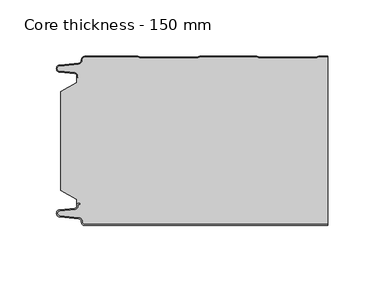
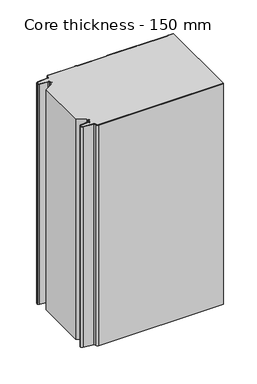
"""IFC4 building model written with IfcOpenShell, lengths in millimetres: plate geometry, Core thickness - 150 mm."""

from ifc_helpers import new_model, si_unit, frame, origin, place, context, project, spatial, polyline, circle_curve, source, transform, mapped, element, save
from ifc_brep_helpers import plane_surface, cylinder_surface, revolved_surface, advanced_brep


def core_thickness_150_mm_1be155f3(model_context):
    return source(origin(), model_context, "Body", "AdvancedBrep", [
        advanced_brep(
        [(-94.8000003, -149.9996949, 0.0), (-97.9923632, -146.5787437, 0.0), (-100.2560431, -143.9171154, 0.0), (-117.2115315, -142.2546153, 0.0), (-119.9999998, -139.1776715, 0.0), (-117.2115315, -136.1007278, 0.0), (-103.6195785, -134.7680252, 0.0), (-101.9952277, -132.9766159, 0.0), (-101.9952277, -131.8996949, 0.0), (-100.5952277, -130.4996949, 0.0), (-99.4952277, -130.4996949, 0.0), (-99.4952277, -131.2996949, 0.0), (-100.5952277, -131.2996949, 0.0), (-101.1952277, -131.8996949, 0.0), (-101.1952277, -132.9766159, 0.0), (-103.5415122, -135.5642071, 0.0), (-117.1334652, -136.8969097, 0.0), (-119.1999997, -139.1776715, 0.0), (-117.1334652, -141.4584333, 0.0), (-100.1779767, -143.1209335, 0.0), (-97.2078761, -146.6330399, 0.0), (-94.8000003, -149.1996949, 0.0), (119.9999998, -149.2, 0.0), (119.9999998, -149.9996949, 0.0), (-94.8000003, -149.1996949, 400.0), (-97.1942724, -146.6339815, 400.0), (-100.1779767, -143.1209335, 400.0), (-117.1334652, -141.4584333, 400.0), (-119.1999997, -139.1776715, 400.0), (-117.1334652, -136.8969097, 400.0), (-103.5415122, -135.5642071, 400.0), (-101.1952277, -132.9766159, 400.0), (-101.1952277, -131.8996949, 400.0), (-100.5952277, -131.2996949, 400.0), (-99.4952277, -131.2996949, 400.0), (-99.4952277, -130.4996949, 400.0), (-100.5952277, -130.4996949, 400.0), (-101.9952277, -131.8996949, 400.0), (-101.9952277, -132.9766159, 400.0), (-103.6195785, -134.7680252, 400.0), (-117.2115315, -136.1007278, 400.0), (-119.9999998, -139.1776715, 400.0), (-117.2115315, -142.2546153, 400.0), (-100.2560431, -143.9171154, 400.0), (-98.0059668, -146.5778021, 400.0), (-94.8000003, -149.9996949, 400.0), (119.9999998, -149.9996949, 400.0), (119.9999998, -149.2, 400.0)],
        [
            (0, 1, circle_curve(frame((-94.8000003, -146.7996949, 0.0), z_axis=(0.0, 0.0, -1.0), x_axis=(1.0, 0.0, 0.0)), 3.2)),
            (1, 2, circle_curve(frame((-100.5000003, -146.4051839, 0.0), z_axis=(0.0, 0.0, 1.0), x_axis=(1.0, 0.0, 0.0)), 2.5)),
            (2, 3),
            (3, 4, circle_curve(frame((-116.9100003, -139.1793626, 0.0), z_axis=(0.0, 0.0, -1.0), x_axis=(1.0, 0.0, 0.0)), 3.09)),
            (4, 5, circle_curve(frame((-116.9100003, -139.1759805, 0.0), z_axis=(0.0, 0.0, -1.0), x_axis=(1.0, 0.0, 0.0)), 3.09)),
            (5, 6),
            (6, 7, circle_curve(frame((-103.7952277, -132.9766159, 0.0), z_axis=(0.0, 0.0, 1.0), x_axis=(1.0, 0.0, 0.0)), 1.8)),
            (7, 8),
            (8, 9, circle_curve(frame((-100.5952277, -131.8996949, 0.0), z_axis=(0.0, 0.0, -1.0), x_axis=(1.0, 0.0, 0.0)), 1.4)),
            (9, 10),
            (10, 11),
            (11, 12),
            (12, 13, circle_curve(frame((-100.5952277, -131.8996949, 0.0), z_axis=(0.0, 0.0, 1.0), x_axis=(1.0, 0.0, 0.0)), 0.6)),
            (13, 14),
            (14, 15, circle_curve(frame((-103.7952277, -132.9766159, 0.0), z_axis=(0.0, 0.0, -1.0), x_axis=(1.0, 0.0, 0.0)), 2.6)),
            (15, 16),
            (16, 17, circle_curve(frame((-116.9100003, -139.1759805, 0.0), z_axis=(0.0, 0.0, 1.0), x_axis=(1.0, 0.0, 0.0)), 2.29)),
            (17, 18, circle_curve(frame((-116.9100003, -139.1793626, 0.0), z_axis=(0.0, 0.0, 1.0), x_axis=(1.0, 0.0, 0.0)), 2.29)),
            (18, 19),
            (19, 20, circle_curve(frame((-100.5000003, -146.4051839, 0.0), z_axis=(0.0, 0.0, -1.0), x_axis=(1.0, 0.0, 0.0)), 3.3)),
            (20, 21, circle_curve(frame((-94.8000003, -146.7996949, 0.0), z_axis=(0.0, 0.0, 1.0), x_axis=(1.0, 0.0, 0.0)), 2.4)),
            (21, 22),
            (22, 23),
            (23, 0),
            (24, 25, circle_curve(frame((-94.8000003, -146.7996949, 400.0), z_axis=(0.0, 0.0, -1.0), x_axis=(1.0, 0.0, 0.0)), 2.4)),
            (25, 26, circle_curve(frame((-100.5000003, -146.4051839, 400.0), z_axis=(0.0, 0.0, 1.0), x_axis=(1.0, 0.0, 0.0)), 3.3)),
            (26, 27),
            (27, 28, circle_curve(frame((-116.9100003, -139.1793626, 400.0), z_axis=(0.0, 0.0, -1.0), x_axis=(1.0, 0.0, 0.0)), 2.29)),
            (28, 29, circle_curve(frame((-116.9100003, -139.1759805, 400.0), z_axis=(0.0, 0.0, -1.0), x_axis=(1.0, 0.0, 0.0)), 2.29)),
            (29, 30),
            (30, 31, circle_curve(frame((-103.7952277, -132.9766159, 400.0), z_axis=(0.0, 0.0, 1.0), x_axis=(1.0, 0.0, 0.0)), 2.6)),
            (31, 32),
            (32, 33, circle_curve(frame((-100.5952277, -131.8996949, 400.0), z_axis=(0.0, 0.0, -1.0), x_axis=(1.0, 0.0, 0.0)), 0.6)),
            (33, 34),
            (34, 35),
            (35, 36),
            (36, 37, circle_curve(frame((-100.5952277, -131.8996949, 400.0), z_axis=(0.0, 0.0, 1.0), x_axis=(1.0, 0.0, 0.0)), 1.4)),
            (37, 38),
            (38, 39, circle_curve(frame((-103.7952277, -132.9766159, 400.0), z_axis=(0.0, 0.0, -1.0), x_axis=(1.0, 0.0, 0.0)), 1.8)),
            (39, 40),
            (40, 41, circle_curve(frame((-116.9100003, -139.1759805, 400.0), z_axis=(0.0, 0.0, 1.0), x_axis=(1.0, 0.0, 0.0)), 3.09)),
            (41, 42, circle_curve(frame((-116.9100003, -139.1793626, 400.0), z_axis=(0.0, 0.0, 1.0), x_axis=(1.0, 0.0, 0.0)), 3.09)),
            (42, 43),
            (43, 44, circle_curve(frame((-100.5000003, -146.4051839, 400.0), z_axis=(0.0, 0.0, -1.0), x_axis=(1.0, 0.0, 0.0)), 2.5)),
            (44, 45, circle_curve(frame((-94.8000003, -146.7996949, 400.0), z_axis=(0.0, 0.0, 1.0), x_axis=(1.0, 0.0, 0.0)), 3.2)),
            (45, 46),
            (46, 47),
            (47, 24),
            (21, 24),
            (47, 22),
            (20, 25),
            (19, 26),
            (18, 27),
            (17, 28),
            (16, 29),
            (15, 30),
            (14, 31),
            (13, 32),
            (12, 33),
            (11, 34),
            (10, 35),
            (9, 36),
            (8, 37),
            (7, 38),
            (6, 39),
            (5, 40),
            (4, 41),
            (3, 42),
            (2, 43),
            (1, 44),
            (0, 45),
            (23, 46),
        ],
        [
            plane_surface(frame((-119.9999998, -150.0, 0.0), z_axis=(0.0, 0.0, -1.0), x_axis=(0.0, 1.0, 0.0))),
            plane_surface(frame((-119.9999998, -150.0, 400.0), z_axis=(0.0, 0.0, 1.0), x_axis=(0.0, 1.0, 0.0))),
            plane_surface(frame((-94.8000003, -149.2, 0.0), z_axis=(0.0, 1.0, 0.0), x_axis=(0.0, 0.0, 1.0))),
            revolved_surface(polyline([(-92.40000029999999, -146.7996949, 400.0), (-92.40000029999999, -146.7996949, 0.0)]), (-94.8000003, -146.7996949, 0.0), (0.0, 0.0, 1.0)),
            cylinder_surface(frame((-100.5000003, -146.4051839, 0.0), z_axis=(0.0, 0.0, -1.0), x_axis=(1.0, 0.0, 0.0)), 3.3),
            plane_surface(frame((-117.1334652, -141.4584333, 0.0), z_axis=(0.09758289975914758, 0.9952273999818314, 0.0), x_axis=(0.0, 0.0, 1.0))),
            revolved_surface(polyline([(-114.62000029999999, -139.1793626, 400.0), (-114.62000029999999, -139.1793626, 0.0)]), (-116.9100003, -139.1793626, 0.0), (0.0, 0.0, 1.0)),
            revolved_surface(polyline([(-114.62000029999999, -139.1759805, 400.0), (-114.62000029999999, -139.1759805, 0.0)]), (-116.9100003, -139.1759805, 0.0), (0.0, 0.0, 1.0)),
            plane_surface(frame((-103.5415122, -135.5642071, 0.0), z_axis=(0.09758289975914383, -0.9952273999818317, 0.0), x_axis=(0.0, 0.0, 1.0))),
            cylinder_surface(frame((-103.7952277, -132.9766159, 0.0), z_axis=(0.0, 0.0, -1.0), x_axis=(1.0, 0.0, 0.0)), 2.6),
            plane_surface(frame((-101.1952277, -131.8996949, 0.0), z_axis=(1.0, 0.0, 0.0), x_axis=(0.0, 0.0, 1.0))),
            revolved_surface(polyline([(-99.9952277, -131.8996949, 400.0), (-99.9952277, -131.8996949, 0.0)]), (-100.5952277, -131.8996949, 0.0), (0.0, 0.0, 1.0)),
            plane_surface(frame((-99.4952277, -131.2996949, 0.0), z_axis=(0.0, -1.0, 0.0), x_axis=(0.0, 0.0, 1.0))),
            plane_surface(frame((-99.4952277, -130.4996949, 0.0), z_axis=(1.0, 0.0, 0.0), x_axis=(0.0, 0.0, 1.0))),
            plane_surface(frame((-100.5952277, -130.4996949, 0.0), z_axis=(0.0, 1.0, 0.0), x_axis=(0.0, 0.0, 1.0))),
            cylinder_surface(frame((-100.5952277, -131.8996949, 0.0), z_axis=(0.0, 0.0, -1.0), x_axis=(1.0, 0.0, 0.0)), 1.4),
            plane_surface(frame((-101.9952277, -132.9766159, 0.0), z_axis=(-1.0, 0.0, 0.0), x_axis=(0.0, 0.0, 1.0))),
            revolved_surface(polyline([(-101.9952277, -132.9766159, 400.0), (-101.9952277, -132.9766159, 0.0)]), (-103.7952277, -132.9766159, 0.0), (0.0, 0.0, 1.0)),
            plane_surface(frame((-117.2115315, -136.1007278, 0.0), z_axis=(-0.09758289975914387, 0.9952273999818317, 0.0), x_axis=(0.0, 0.0, 1.0))),
            cylinder_surface(frame((-116.9100003, -139.1759805, 0.0), z_axis=(0.0, 0.0, -1.0), x_axis=(1.0, 0.0, 0.0)), 3.09),
            cylinder_surface(frame((-116.9100003, -139.1793626, 0.0), z_axis=(0.0, 0.0, -1.0), x_axis=(1.0, 0.0, 0.0)), 3.09),
            plane_surface(frame((-100.2560431, -143.9171154, 0.0), z_axis=(-0.09758289975914762, -0.9952273999818314, 0.0), x_axis=(0.0, 0.0, 1.0))),
            revolved_surface(polyline([(-98.0000003, -146.4051839, 400.0), (-98.0000003, -146.4051839, 0.0)]), (-100.5000003, -146.4051839, 0.0), (0.0, 0.0, 1.0)),
            cylinder_surface(frame((-94.8000003, -146.7996949, 0.0), z_axis=(0.0, 0.0, -1.0), x_axis=(1.0, 0.0, 0.0)), 3.2),
            plane_surface(frame((896.009932, -149.9996949, 0.0), z_axis=(0.0, -1.0, 0.0), x_axis=(0.0, 0.0, 1.0))),
            plane_surface(frame((119.9999998, 180.0, 400.0), z_axis=(1.0, 0.0, 0.0), x_axis=(0.0, 0.0, -1.0))),
        ],
        [
            (0, [[1, 2, 3, 4, 5, 6, 7, 8, 9, 10, 11, 12, 13, 14, 15, 16, 17, 18, 19, 20, 21, 22, 23, 24]]),
            (1, [[25, 26, 27, 28, 29, 30, 31, 32, 33, 34, 35, 36, 37, 38, 39, 40, 41, 42, 43, 44, 45, 46, 47, 48]]),
            (2, [[49, -48, 50, -22]]),
            (3, [[-21, 51, -25, -49]]),
            (4, [[-20, 52, -26, -51]]),
            (5, [[-19, 53, -27, -52]]),
            (6, [[-18, 54, -28, -53]]),
            (7, [[-17, 55, -29, -54]]),
            (8, [[-16, 56, -30, -55]]),
            (9, [[-15, 57, -31, -56]]),
            (10, [[-14, 58, -32, -57]]),
            (11, [[-13, 59, -33, -58]]),
            (12, [[-12, 60, -34, -59]]),
            (13, [[-11, 61, -35, -60]]),
            (14, [[-10, 62, -36, -61]]),
            (15, [[-9, 63, -37, -62]]),
            (16, [[-8, 64, -38, -63]]),
            (17, [[-7, 65, -39, -64]]),
            (18, [[-6, 66, -40, -65]]),
            (19, [[-5, 67, -41, -66]]),
            (20, [[-4, 68, -42, -67]]),
            (21, [[-3, 69, -43, -68]]),
            (22, [[-2, 70, -44, -69]]),
            (23, [[-1, 71, -45, -70]]),
            (24, [[-71, -24, 72, -46]]),
            (25, [[-23, -50, -47, -72]]),
        ],
    ),
        advanced_brep(
        [(-101.9952277, -23.1062917, 400.0), (-116.0446509, -31.1628062, 400.0), (-116.0446509, -118.7531937, 400.0), (-101.9952277, -126.8937083, 400.0), (-101.9952277, -130.4996949, 400.0), (-101.9952277, -131.8996949, 400.0), (-100.5952277, -130.4996949, 400.0), (-99.4952277, -130.4996949, 400.0), (-99.4952277, -131.2996949, 400.0), (-100.5952277, -131.2996949, 400.0), (-101.1952277, -131.8996949, 400.0), (-101.1952277, -132.9766159, 400.0), (-103.5415122, -135.5642071, 400.0), (-117.1334652, -136.8969097, 400.0), (-119.1999997, -139.1776715, 400.0), (-117.1334652, -141.4584333, 400.0), (-100.1779767, -143.1209335, 400.0), (-97.2078761, -146.6330399, 400.0), (-94.8000003, -149.1996949, 400.0), (119.9999998, -149.2, 400.0), (119.9999998, -0.8, 400.0), (112.3119565, -0.8, 400.0), (111.2605406, -1.0986697, 400.0), (109.8401597, -1.5003051, 400.0), (59.6803765, -1.5003051, 400.0), (58.2609651, -1.0971009, 400.0), (57.2085797, -0.8, 400.0), (7.0487965, -0.8, 400.0), (5.9973806, -1.0986697, 400.0), (4.5769997, -1.5003051, 400.0), (-45.5827835, -1.5003051, 400.0), (-47.0021949, -1.0971009, 400.0), (-48.0545803, -0.8, 400.0), (-94.8000003, -0.8, 400.0), (-97.1942724, -3.3660185, 400.0), (-100.1779767, -6.8790665, 400.0), (-117.1334652, -8.5415667, 400.0), (-119.1999997, -10.8223285, 400.0), (-117.1334652, -13.1030903, 400.0), (-103.5415122, -14.4357929, 400.0), (-101.1952277, -17.0233841, 400.0), (-101.1952277, -18.1003051, 400.0), (-100.5952277, -18.7003051, 400.0), (-99.4952277, -18.7003051, 400.0), (-99.4952277, -19.5003051, 400.0), (-100.5952277, -19.5003051, 400.0), (-101.9952277, -18.1003051, 400.0), (-101.9952277, -19.5003051, 400.0), (-101.9952277, -126.8937083, 0.0), (-116.0446509, -118.7531937, 0.0), (-116.0446509, -31.1628062, 0.0), (-101.9952277, -23.1062917, 0.0), (-101.9952277, -19.5003051, 0.0), (-101.9952277, -18.1003051, 0.0), (-100.5952277, -19.5003051, 0.0), (-99.4952277, -19.5003051, 0.0), (-99.4952277, -18.7003051, 0.0), (-100.5952277, -18.7003051, 0.0), (-101.1952277, -18.1003051, 0.0), (-101.1952277, -17.0233841, 0.0), (-103.5415122, -14.4357929, 0.0), (-117.1334652, -13.1030903, 0.0), (-119.1999997, -10.8223285, 0.0), (-117.1334652, -8.5415667, 0.0), (-100.1779767, -6.8790665, 0.0), (-97.2078761, -3.3669601, 0.0), (-94.8000003, -0.8003051, 0.0), (-48.0545803, -0.8, 0.0), (-47.0031645, -1.0986697, 0.0), (-45.5827835, -1.5003051, 0.0), (4.5769997, -1.5003051, 0.0), (5.9964111, -1.0971009, 0.0), (7.0487965, -0.8, 0.0), (57.2085797, -0.8, 0.0), (58.2599955, -1.0986697, 0.0), (59.6803765, -1.5003051, 0.0), (109.8401597, -1.5003051, 0.0), (111.2595711, -1.0971009, 0.0), (112.3119565, -0.8, 0.0), (119.9999998, -0.8, 0.0), (119.9999998, -149.2, 0.0), (-94.8000003, -149.2, 0.0), (-97.1942724, -146.6339815, 0.0), (-100.1779767, -143.1209335, 0.0), (-117.1334652, -141.4584333, 0.0), (-119.1999997, -139.1776715, 0.0), (-117.1334652, -136.8969097, 0.0), (-103.5415122, -135.5642071, 0.0), (-101.1952277, -132.9766159, 0.0), (-101.1952277, -131.8996949, 0.0), (-100.5952277, -131.2996949, 0.0), (-99.4952277, -131.2996949, 0.0), (-99.4952277, -130.4996949, 0.0), (-100.5952277, -130.4996949, 0.0), (-101.9952277, -131.8996949, 0.0), (-101.9952277, -130.4996949, 0.0)],
        [
            (0, 1),
            (1, 2),
            (2, 3),
            (3, 4),
            (4, 5),
            (5, 6, circle_curve(frame((-100.5952277, -131.8996949, 400.0), z_axis=(0.0, 0.0, -1.0), x_axis=(1.0, 0.0, 0.0)), 1.4)),
            (6, 7),
            (7, 8),
            (8, 9),
            (9, 10, circle_curve(frame((-100.5952277, -131.8996949, 400.0), z_axis=(0.0, 0.0, 1.0), x_axis=(1.0, 0.0, 0.0)), 0.6)),
            (10, 11),
            (11, 12, circle_curve(frame((-103.7952277, -132.9766159, 400.0), z_axis=(0.0, 0.0, -1.0), x_axis=(1.0, 0.0, 0.0)), 2.6)),
            (12, 13),
            (13, 14, circle_curve(frame((-116.9100003, -139.1759805, 400.0), z_axis=(0.0, 0.0, 1.0), x_axis=(1.0, 0.0, 0.0)), 2.29)),
            (14, 15, circle_curve(frame((-116.9100003, -139.1793626, 400.0), z_axis=(0.0, 0.0, 1.0), x_axis=(1.0, 0.0, 0.0)), 2.29)),
            (15, 16),
            (16, 17, circle_curve(frame((-100.5000003, -146.4051839, 400.0), z_axis=(0.0, 0.0, -1.0), x_axis=(1.0, 0.0, 0.0)), 3.3)),
            (17, 18, circle_curve(frame((-94.8000003, -146.7996949, 400.0), z_axis=(0.0, 0.0, 1.0), x_axis=(1.0, 0.0, 0.0)), 2.4)),
            (18, 19),
            (19, 20),
            (20, 21),
            (21, 22, circle_curve(frame((112.3119565, -2.8, 400.0), z_axis=(0.0, 0.0, 1.0), x_axis=(1.0, 0.0, 0.0)), 2.0)),
            (22, 23, circle_curve(frame((109.8401597, 1.1996949, 400.0), z_axis=(0.0, 0.0, -1.0), x_axis=(1.0, 0.0, 0.0)), 2.7)),
            (23, 24),
            (24, 25, circle_curve(frame((59.6803765, 1.1996949, 400.0), z_axis=(0.0, 0.0, -1.0), x_axis=(1.0, 0.0, 0.0)), 2.7)),
            (25, 26, circle_curve(frame((57.2085797, -2.8, 400.0), z_axis=(0.0, 0.0, 1.0), x_axis=(1.0, 0.0, 0.0)), 2.0)),
            (26, 27),
            (27, 28, circle_curve(frame((7.0487965, -2.8, 400.0), z_axis=(0.0, 0.0, 1.0), x_axis=(1.0, 0.0, 0.0)), 2.0)),
            (28, 29, circle_curve(frame((4.5769997, 1.1996949, 400.0), z_axis=(0.0, 0.0, -1.0), x_axis=(1.0, 0.0, 0.0)), 2.7)),
            (29, 30),
            (30, 31, circle_curve(frame((-45.5827835, 1.1996949, 400.0), z_axis=(0.0, 0.0, -1.0), x_axis=(1.0, 0.0, 0.0)), 2.7)),
            (31, 32, circle_curve(frame((-48.0545803, -2.8, 400.0), z_axis=(0.0, 0.0, 1.0), x_axis=(1.0, 0.0, 0.0)), 2.0)),
            (32, 33),
            (33, 34, circle_curve(frame((-94.8000003, -3.2003051, 400.0), z_axis=(0.0, 0.0, 1.0), x_axis=(1.0, 0.0, 0.0)), 2.4)),
            (34, 35, circle_curve(frame((-100.5000003, -3.5948161, 400.0), z_axis=(0.0, 0.0, -1.0), x_axis=(1.0, 0.0, 0.0)), 3.3)),
            (35, 36),
            (36, 37, circle_curve(frame((-116.9100003, -10.8206374, 400.0), z_axis=(0.0, 0.0, 1.0), x_axis=(1.0, 0.0, 0.0)), 2.29)),
            (37, 38, circle_curve(frame((-116.9100003, -10.8240195, 400.0), z_axis=(0.0, 0.0, 1.0), x_axis=(1.0, 0.0, 0.0)), 2.29)),
            (38, 39),
            (39, 40, circle_curve(frame((-103.7952277, -17.0233841, 400.0), z_axis=(0.0, 0.0, -1.0), x_axis=(1.0, 0.0, 0.0)), 2.6)),
            (40, 41),
            (41, 42, circle_curve(frame((-100.5952277, -18.1003051, 400.0), z_axis=(0.0, 0.0, 1.0), x_axis=(1.0, 0.0, 0.0)), 0.6)),
            (42, 43),
            (43, 44),
            (44, 45),
            (45, 46, circle_curve(frame((-100.5952277, -18.1003051, 400.0), z_axis=(0.0, 0.0, -1.0), x_axis=(1.0, 0.0, 0.0)), 1.4)),
            (46, 47),
            (47, 0),
            (48, 49),
            (49, 50),
            (50, 51),
            (51, 52),
            (52, 53),
            (53, 54, circle_curve(frame((-100.5952277, -18.1003051, 0.0), z_axis=(0.0, 0.0, 1.0), x_axis=(1.0, 0.0, 0.0)), 1.4)),
            (54, 55),
            (55, 56),
            (56, 57),
            (57, 58, circle_curve(frame((-100.5952277, -18.1003051, 0.0), z_axis=(0.0, 0.0, -1.0), x_axis=(1.0, 0.0, 0.0)), 0.6)),
            (58, 59),
            (59, 60, circle_curve(frame((-103.7952277, -17.0233841, 0.0), z_axis=(0.0, 0.0, 1.0), x_axis=(1.0, 0.0, 0.0)), 2.6)),
            (60, 61),
            (61, 62, circle_curve(frame((-116.9100003, -10.8240195, 0.0), z_axis=(0.0, 0.0, -1.0), x_axis=(1.0, 0.0, 0.0)), 2.29)),
            (62, 63, circle_curve(frame((-116.9100003, -10.8206374, 0.0), z_axis=(0.0, 0.0, -1.0), x_axis=(1.0, 0.0, 0.0)), 2.29)),
            (63, 64),
            (64, 65, circle_curve(frame((-100.5000003, -3.5948161, 0.0), z_axis=(0.0, 0.0, 1.0), x_axis=(1.0, 0.0, 0.0)), 3.3)),
            (65, 66, circle_curve(frame((-94.8000003, -3.2003051, 0.0), z_axis=(0.0, 0.0, -1.0), x_axis=(1.0, 0.0, 0.0)), 2.4)),
            (66, 67),
            (67, 68, circle_curve(frame((-48.0545803, -2.8, 0.0), z_axis=(0.0, 0.0, -1.0), x_axis=(1.0, 0.0, 0.0)), 2.0)),
            (68, 69, circle_curve(frame((-45.5827835, 1.1996949, 0.0), z_axis=(0.0, 0.0, 1.0), x_axis=(1.0, 0.0, 0.0)), 2.7)),
            (69, 70),
            (70, 71, circle_curve(frame((4.5769997, 1.1996949, 0.0), z_axis=(0.0, 0.0, 1.0), x_axis=(1.0, 0.0, 0.0)), 2.7)),
            (71, 72, circle_curve(frame((7.0487965, -2.8, 0.0), z_axis=(0.0, 0.0, -1.0), x_axis=(1.0, 0.0, 0.0)), 2.0)),
            (72, 73),
            (73, 74, circle_curve(frame((57.2085797, -2.8, 0.0), z_axis=(0.0, 0.0, -1.0), x_axis=(1.0, 0.0, 0.0)), 2.0)),
            (74, 75, circle_curve(frame((59.6803765, 1.1996949, 0.0), z_axis=(0.0, 0.0, 1.0), x_axis=(1.0, 0.0, 0.0)), 2.7)),
            (75, 76),
            (76, 77, circle_curve(frame((109.8401597, 1.1996949, 0.0), z_axis=(0.0, 0.0, 1.0), x_axis=(1.0, 0.0, 0.0)), 2.7)),
            (77, 78, circle_curve(frame((112.3119565, -2.8, 0.0), z_axis=(0.0, 0.0, -1.0), x_axis=(1.0, 0.0, 0.0)), 2.0)),
            (78, 79),
            (79, 80),
            (80, 81),
            (81, 82, circle_curve(frame((-94.8000003, -146.7996949, 0.0), z_axis=(0.0, 0.0, -1.0), x_axis=(1.0, 0.0, 0.0)), 2.4)),
            (82, 83, circle_curve(frame((-100.5000003, -146.4051839, 0.0), z_axis=(0.0, 0.0, 1.0), x_axis=(1.0, 0.0, 0.0)), 3.3)),
            (83, 84),
            (84, 85, circle_curve(frame((-116.9100003, -139.1793626, 0.0), z_axis=(0.0, 0.0, -1.0), x_axis=(1.0, 0.0, 0.0)), 2.29)),
            (85, 86, circle_curve(frame((-116.9100003, -139.1759805, 0.0), z_axis=(0.0, 0.0, -1.0), x_axis=(1.0, 0.0, 0.0)), 2.29)),
            (86, 87),
            (87, 88, circle_curve(frame((-103.7952277, -132.9766159, 0.0), z_axis=(0.0, 0.0, 1.0), x_axis=(1.0, 0.0, 0.0)), 2.6)),
            (88, 89),
            (89, 90, circle_curve(frame((-100.5952277, -131.8996949, 0.0), z_axis=(0.0, 0.0, -1.0), x_axis=(1.0, 0.0, 0.0)), 0.6)),
            (90, 91),
            (91, 92),
            (92, 93),
            (93, 94, circle_curve(frame((-100.5952277, -131.8996949, 0.0), z_axis=(0.0, 0.0, 1.0), x_axis=(1.0, 0.0, 0.0)), 1.4)),
            (94, 95),
            (95, 48),
            (51, 0),
            (46, 53),
            (1, 50),
            (49, 2),
            (48, 3),
            (94, 5),
            (18, 81),
            (80, 19),
            (17, 82),
            (16, 83),
            (15, 84),
            (14, 85),
            (13, 86),
            (12, 87),
            (11, 88),
            (10, 89),
            (9, 90),
            (8, 91),
            (7, 92),
            (6, 93),
            (66, 33),
            (32, 67),
            (31, 68),
            (30, 69),
            (29, 70),
            (28, 71),
            (27, 72),
            (26, 73),
            (25, 74),
            (24, 75),
            (23, 76),
            (22, 77),
            (21, 78),
            (20, 79),
            (45, 54),
            (44, 55),
            (43, 56),
            (42, 57),
            (41, 58),
            (40, 59),
            (39, 60),
            (38, 61),
            (37, 62),
            (36, 63),
            (35, 64),
            (34, 65),
        ],
        [
            plane_surface(frame((-119.9999998, 0.0, 400.0), z_axis=(0.0, 0.0, 1.0), x_axis=(0.0, -1.0, 0.0))),
            plane_surface(frame((-119.9999998, 0.0, 0.0), z_axis=(0.0, 0.0, -1.0), x_axis=(0.0, -1.0, 0.0))),
            plane_surface(frame((-101.9952277, -17.0229218, 400.0), z_axis=(-1.0, 0.0, 0.0), x_axis=(0.0, 0.0, -1.0))),
            plane_surface(frame((-116.0446509, -31.1628062, 400.0), z_axis=(-1.0, 0.0, 0.0), x_axis=(0.0, 0.0, -1.0))),
            plane_surface(frame((-101.9952277, -23.1062917, 400.0), z_axis=(-0.4974543664933155, 0.8674901459133322, 0.0), x_axis=(0.0, 0.0, -1.0))),
            plane_surface(frame((-116.0446509, -118.7531937, 400.0), z_axis=(-0.5013424225369615, -0.8652489672717159, 0.0), x_axis=(0.0, 0.0, -1.0))),
            plane_surface(frame((-101.9952277, -126.8937083, 400.0), z_axis=(-1.0, 0.0, 0.0), x_axis=(0.0, 0.0, -1.0))),
            plane_surface(frame((896.009932, -149.2, 530.0), z_axis=(0.0, -1.0, 0.0), x_axis=(0.0, 0.0, -1.0))),
            cylinder_surface(frame((-94.8000003, -146.7996949, 530.0), z_axis=(0.0, 0.0, -1.0), x_axis=(1.0, 0.0, 0.0)), 2.4),
            revolved_surface(polyline([(-97.2000003, -146.4051839, 400.0), (-97.2000003, -146.4051839, 0.0)]), (-100.5000003, -146.4051839, 530.0), (0.0, 0.0, 1.0)),
            plane_surface(frame((-100.1779767, -143.1209335, 530.0), z_axis=(-0.09758289975914758, -0.9952273999818314, 0.0), x_axis=(0.0, 0.0, -1.0))),
            cylinder_surface(frame((-116.9100003, -139.1793626, 530.0), z_axis=(0.0, 0.0, -1.0), x_axis=(1.0, 0.0, 0.0)), 2.29),
            cylinder_surface(frame((-116.9100003, -139.1759805, 530.0), z_axis=(0.0, 0.0, -1.0), x_axis=(1.0, 0.0, 0.0)), 2.29),
            plane_surface(frame((-117.1334652, -136.8969097, 530.0), z_axis=(-0.09758289975914383, 0.9952273999818317, 0.0), x_axis=(0.0, 0.0, -1.0))),
            revolved_surface(polyline([(-101.1952277, -132.9766159, 400.0), (-101.1952277, -132.9766159, 0.0)]), (-103.7952277, -132.9766159, 530.0), (0.0, 0.0, 1.0)),
            plane_surface(frame((-101.1952277, -132.9766159, 530.0), z_axis=(-1.0, 0.0, 0.0), x_axis=(0.0, 0.0, -1.0))),
            cylinder_surface(frame((-100.5952277, -131.8996949, 530.0), z_axis=(0.0, 0.0, -1.0), x_axis=(1.0, 0.0, 0.0)), 0.6),
            plane_surface(frame((-100.5952277, -131.2996949, 530.0), z_axis=(0.0, 1.0, 0.0), x_axis=(0.0, 0.0, -1.0))),
            plane_surface(frame((-99.4952277, -131.2996949, 530.0), z_axis=(-1.0, 0.0, 0.0), x_axis=(0.0, 0.0, -1.0))),
            plane_surface(frame((-99.4952277, -130.4996949, 530.0), z_axis=(0.0, -1.0, 0.0), x_axis=(0.0, 0.0, -1.0))),
            revolved_surface(polyline([(-99.19522769999999, -131.8996949, 400.0), (-99.19522769999999, -131.8996949, 0.0)]), (-100.5952277, -131.8996949, 530.0), (0.0, 0.0, 1.0)),
            plane_surface(frame((-94.8000003, -0.8, 530.0), z_axis=(0.0, 1.0, 0.0), x_axis=(0.0, 0.0, -1.0))),
            cylinder_surface(frame((-48.0545803, -2.8, 530.0), z_axis=(0.0, 0.0, -1.0), x_axis=(1.0, 0.0, 0.0)), 2.0),
            revolved_surface(polyline([(-42.882783499999995, 1.1996949, 400.0), (-42.882783499999995, 1.1996949, 0.0)]), (-45.5827835, 1.1996949, 530.0), (0.0, 0.0, 1.0)),
            plane_surface(frame((-45.5827835, -1.5003051, 530.0), z_axis=(0.0, 1.0, 0.0), x_axis=(0.0, 0.0, -1.0))),
            revolved_surface(polyline([(7.2769997, 1.1996949, 400.0), (7.2769997, 1.1996949, 0.0)]), (4.5769997, 1.1996949, 530.0), (0.0, 0.0, 1.0)),
            cylinder_surface(frame((7.0487965, -2.8, 530.0), z_axis=(0.0, 0.0, -1.0), x_axis=(1.0, 0.0, 0.0)), 2.0),
            plane_surface(frame((7.0487965, -0.8, 530.0), z_axis=(0.0, 1.0, 0.0), x_axis=(0.0, 0.0, -1.0))),
            cylinder_surface(frame((57.2085797, -2.8, 530.0), z_axis=(0.0, 0.0, -1.0), x_axis=(1.0, 0.0, 0.0)), 2.0),
            revolved_surface(polyline([(62.380376500000004, 1.1996949, 400.0), (62.380376500000004, 1.1996949, 0.0)]), (59.6803765, 1.1996949, 530.0), (0.0, 0.0, 1.0)),
            plane_surface(frame((59.6803765, -1.5003051, 530.0), z_axis=(0.0, 1.0, 0.0), x_axis=(0.0, 0.0, -1.0))),
            revolved_surface(polyline([(112.5401597, 1.1996949, 400.0), (112.5401597, 1.1996949, 0.0)]), (109.8401597, 1.1996949, 530.0), (0.0, 0.0, 1.0)),
            cylinder_surface(frame((112.3119565, -2.8, 530.0), z_axis=(0.0, 0.0, -1.0), x_axis=(1.0, 0.0, 0.0)), 2.0),
            plane_surface(frame((112.3119565, -0.8, 530.0), z_axis=(0.0, 1.0, 0.0), x_axis=(0.0, 0.0, -1.0))),
            revolved_surface(polyline([(-99.19522769999999, -18.1003051, 400.0), (-99.19522769999999, -18.1003051, 0.0)]), (-100.5952277, -18.1003051, 530.0), (0.0, 0.0, 1.0)),
            plane_surface(frame((-100.5952277, -19.5003051, 530.0), z_axis=(0.0, 1.0, 0.0), x_axis=(0.0, 0.0, -1.0))),
            plane_surface(frame((-99.4952277, -19.5003051, 530.0), z_axis=(-1.0, 0.0, 0.0), x_axis=(0.0, 0.0, -1.0))),
            plane_surface(frame((-99.4952277, -18.7003051, 530.0), z_axis=(0.0, -1.0, 0.0), x_axis=(0.0, 0.0, -1.0))),
            cylinder_surface(frame((-100.5952277, -18.1003051, 530.0), z_axis=(0.0, 0.0, -1.0), x_axis=(1.0, 0.0, 0.0)), 0.6),
            plane_surface(frame((-101.1952277, -18.1003051, 530.0), z_axis=(-1.0, 0.0, 0.0), x_axis=(0.0, 0.0, -1.0))),
            revolved_surface(polyline([(-101.1952277, -17.0233841, 400.0), (-101.1952277, -17.0233841, 0.0)]), (-103.7952277, -17.0233841, 530.0), (0.0, 0.0, 1.0)),
            plane_surface(frame((-103.5415122, -14.4357929, 530.0), z_axis=(-0.09758289975914705, -0.9952273999818314, 0.0), x_axis=(0.0, 0.0, -1.0))),
            cylinder_surface(frame((-116.9100003, -10.8240195, 530.0), z_axis=(0.0, 0.0, -1.0), x_axis=(1.0, 0.0, 0.0)), 2.29),
            cylinder_surface(frame((-116.9100003, -10.8206374, 530.0), z_axis=(0.0, 0.0, -1.0), x_axis=(1.0, 0.0, 0.0)), 2.29),
            plane_surface(frame((-117.1334652, -8.5415667, 530.0), z_axis=(-0.09758289975914436, 0.9952273999818317, 0.0), x_axis=(0.0, 0.0, -1.0))),
            revolved_surface(polyline([(-97.2000003, -3.5948161, 400.0), (-97.2000003, -3.5948161, 0.0)]), (-100.5000003, -3.5948161, 530.0), (0.0, 0.0, 1.0)),
            cylinder_surface(frame((-94.8000003, -3.2003051, 530.0), z_axis=(0.0, 0.0, -1.0), x_axis=(1.0, 0.0, 0.0)), 2.4),
            plane_surface(frame((119.9999998, 180.0, 400.0), z_axis=(1.0, 0.0, 0.0), x_axis=(0.0, 0.0, -1.0))),
        ],
        [
            (0, [[1, 2, 3, 4, 5, 6, 7, 8, 9, 10, 11, 12, 13, 14, 15, 16, 17, 18, 19, 20, 21, 22, 23, 24, 25, 26, 27, 28, 29, 30, 31, 32, 33, 34, 35, 36, 37, 38, 39, 40, 41, 42, 43, 44, 45, 46, 47, 48]]),
            (1, [[49, 50, 51, 52, 53, 54, 55, 56, 57, 58, 59, 60, 61, 62, 63, 64, 65, 66, 67, 68, 69, 70, 71, 72, 73, 74, 75, 76, 77, 78, 79, 80, 81, 82, 83, 84, 85, 86, 87, 88, 89, 90, 91, 92, 93, 94, 95, 96]]),
            (2, [[97, -48, -47, 98, -53, -52]]),
            (3, [[-2, 99, -50, 100]]),
            (4, [[-1, -97, -51, -99]]),
            (5, [[-3, -100, -49, 101]]),
            (6, [[-101, -96, -95, 102, -5, -4]]),
            (7, [[103, -81, 104, -19]]),
            (8, [[-103, -18, 105, -82]]),
            (9, [[-105, -17, 106, -83]]),
            (10, [[-106, -16, 107, -84]]),
            (11, [[-107, -15, 108, -85]]),
            (12, [[-108, -14, 109, -86]]),
            (13, [[-109, -13, 110, -87]]),
            (14, [[-110, -12, 111, -88]]),
            (15, [[-111, -11, 112, -89]]),
            (16, [[-112, -10, 113, -90]]),
            (17, [[-113, -9, 114, -91]]),
            (18, [[-114, -8, 115, -92]]),
            (19, [[-115, -7, 116, -93]]),
            (20, [[-116, -6, -102, -94]]),
            (21, [[117, -33, 118, -67]]),
            (22, [[-118, -32, 119, -68]]),
            (23, [[-119, -31, 120, -69]]),
            (24, [[-120, -30, 121, -70]]),
            (25, [[-121, -29, 122, -71]]),
            (26, [[-122, -28, 123, -72]]),
            (27, [[-123, -27, 124, -73]]),
            (28, [[-124, -26, 125, -74]]),
            (29, [[-125, -25, 126, -75]]),
            (30, [[-126, -24, 127, -76]]),
            (31, [[-127, -23, 128, -77]]),
            (32, [[-128, -22, 129, -78]]),
            (33, [[-129, -21, 130, -79]]),
            (34, [[131, -54, -98, -46]]),
            (35, [[-131, -45, 132, -55]]),
            (36, [[-132, -44, 133, -56]]),
            (37, [[-133, -43, 134, -57]]),
            (38, [[-134, -42, 135, -58]]),
            (39, [[-135, -41, 136, -59]]),
            (40, [[-136, -40, 137, -60]]),
            (41, [[-137, -39, 138, -61]]),
            (42, [[-138, -38, 139, -62]]),
            (43, [[-139, -37, 140, -63]]),
            (44, [[-140, -36, 141, -64]]),
            (45, [[-141, -35, 142, -65]]),
            (46, [[-117, -66, -142, -34]]),
            (47, [[-104, -80, -130, -20]]),
        ],
    ),
        advanced_brep(
        [(-47.0031645, -1.0986697, 0.0), (-48.0545803, -0.8, 0.0), (-94.8000003, -0.8, 0.0), (-97.1942724, -3.3660185, 0.0), (-100.1779767, -6.8790665, 0.0), (-117.1334652, -8.5415667, 0.0), (-119.1999997, -10.8223285, 0.0), (-117.1334652, -13.1030903, 0.0), (-103.5415122, -14.4357929, 0.0), (-101.1952277, -17.0233841, 0.0), (-101.1952277, -18.1003051, 0.0), (-100.5952277, -18.7003051, 0.0), (-99.4952277, -18.7003051, 0.0), (-99.4952277, -19.5003051, 0.0), (-100.5952277, -19.5003051, 0.0), (-101.9952277, -18.1003051, 0.0), (-101.9952277, -17.0233841, 0.0), (-103.6195785, -15.2319748, 0.0), (-117.2115315, -13.8992722, 0.0), (-119.9999998, -10.8223285, 0.0), (-117.2115315, -7.7453847, 0.0), (-100.2560431, -6.0828846, 0.0), (-98.0059668, -3.4221979, 0.0), (-94.8000003, -0.0003051, 0.0), (-48.0545803, -0.0003051, 0.0), (-46.6352472, -0.4034608, 0.0), (-45.5827835, -0.7003051, 0.0), (4.5769997, -0.7003051, 0.0), (5.6283575, -0.4016712, 0.0), (7.0487965, -0.0003051, 0.0), (57.2085797, -0.0003051, 0.0), (58.6279128, -0.4034608, 0.0), (59.6803765, -0.7003051, 0.0), (109.8401597, -0.7003051, 0.0), (110.8915175, -0.4016712, 0.0), (112.3119565, -0.0003051, 0.0), (119.9999998, -0.0003051, 0.0), (119.9999998, -0.8, 0.0), (112.3119565, -0.8, 0.0), (111.2605406, -1.0986697, 0.0), (109.8401597, -1.5003051, 0.0), (59.6803765, -1.5003051, 0.0), (58.2609651, -1.0971009, 0.0), (57.2085797, -0.8, 0.0), (7.0487965, -0.8, 0.0), (5.9973806, -1.0986697, 0.0), (4.5769997, -1.5003051, 0.0), (-45.5827835, -1.5003051, 0.0), (-47.0021949, -1.0971009, 400.0), (-45.5827835, -1.5003051, 400.0), (4.5769997, -1.5003051, 400.0), (5.9964111, -1.0971009, 400.0), (7.0487965, -0.8, 400.0), (57.2085797, -0.8, 400.0), (58.2599955, -1.0986697, 400.0), (59.6803765, -1.5003051, 400.0), (109.8401597, -1.5003051, 400.0), (111.2595711, -1.0971009, 400.0), (112.3119565, -0.8, 400.0), (119.9999998, -0.8, 400.0), (119.9999998, -0.0003051, 400.0), (112.3119565, -0.0003051, 400.0), (110.8926234, -0.4034608, 400.0), (109.8401597, -0.7003051, 400.0), (59.6803765, -0.7003051, 400.0), (58.6290186, -0.4016712, 400.0), (57.2085797, -0.0003051, 400.0), (7.0487965, -0.0003051, 400.0), (5.6294634, -0.4034608, 400.0), (4.5769997, -0.7003051, 400.0), (-45.5827835, -0.7003051, 400.0), (-46.6341414, -0.4016712, 400.0), (-48.0545803, -0.0003051, 400.0), (-94.8000003, -0.0003051, 400.0), (-97.9923632, -3.4212563, 400.0), (-100.2560431, -6.0828846, 400.0), (-117.2115315, -7.7453847, 400.0), (-119.9999998, -10.8223285, 400.0), (-117.2115315, -13.8992722, 400.0), (-103.6195785, -15.2319748, 400.0), (-101.9952277, -17.0233841, 400.0), (-101.9952277, -18.1003051, 400.0), (-100.5952277, -19.5003051, 400.0), (-99.4952277, -19.5003051, 400.0), (-99.4952277, -18.7003051, 400.0), (-100.5952277, -18.7003051, 400.0), (-101.1952277, -18.1003051, 400.0), (-101.1952277, -17.0233841, 400.0), (-103.5415122, -14.4357929, 400.0), (-117.1334652, -13.1030903, 400.0), (-119.1999997, -10.8223285, 400.0), (-117.1334652, -8.5415667, 400.0), (-100.1779767, -6.8790665, 400.0), (-97.2078761, -3.3669601, 400.0), (-94.8000003, -0.8003051, 400.0), (-48.0545803, -0.8, 400.0)],
        [
            (0, 1, circle_curve(frame((-48.0545803, -2.8, 0.0), z_axis=(0.0, 0.0, 1.0), x_axis=(1.0, 0.0, 0.0)), 2.0)),
            (1, 2),
            (2, 3, circle_curve(frame((-94.8000003, -3.2003051, 0.0), z_axis=(0.0, 0.0, 1.0), x_axis=(1.0, 0.0, 0.0)), 2.4)),
            (3, 4, circle_curve(frame((-100.5000003, -3.5948161, 0.0), z_axis=(0.0, 0.0, -1.0), x_axis=(1.0, 0.0, 0.0)), 3.3)),
            (4, 5),
            (5, 6, circle_curve(frame((-116.9100003, -10.8206374, 0.0), z_axis=(0.0, 0.0, 1.0), x_axis=(1.0, 0.0, 0.0)), 2.29)),
            (6, 7, circle_curve(frame((-116.9100003, -10.8240195, 0.0), z_axis=(0.0, 0.0, 1.0), x_axis=(1.0, 0.0, 0.0)), 2.29)),
            (7, 8),
            (8, 9, circle_curve(frame((-103.7952277, -17.0233841, 0.0), z_axis=(0.0, 0.0, -1.0), x_axis=(1.0, 0.0, 0.0)), 2.6)),
            (9, 10),
            (10, 11, circle_curve(frame((-100.5952277, -18.1003051, 0.0), z_axis=(0.0, 0.0, 1.0), x_axis=(1.0, 0.0, 0.0)), 0.6)),
            (11, 12),
            (12, 13),
            (13, 14),
            (14, 15, circle_curve(frame((-100.5952277, -18.1003051, 0.0), z_axis=(0.0, 0.0, -1.0), x_axis=(1.0, 0.0, 0.0)), 1.4)),
            (15, 16),
            (16, 17, circle_curve(frame((-103.7952277, -17.0233841, 0.0), z_axis=(0.0, 0.0, 1.0), x_axis=(1.0, 0.0, 0.0)), 1.8)),
            (17, 18),
            (18, 19, circle_curve(frame((-116.9100003, -10.8240195, 0.0), z_axis=(0.0, 0.0, -1.0), x_axis=(1.0, 0.0, 0.0)), 3.09)),
            (19, 20, circle_curve(frame((-116.9100003, -10.8206374, 0.0), z_axis=(0.0, 0.0, -1.0), x_axis=(1.0, 0.0, 0.0)), 3.09)),
            (20, 21),
            (21, 22, circle_curve(frame((-100.5000003, -3.5948161, 0.0), z_axis=(0.0, 0.0, 1.0), x_axis=(1.0, 0.0, 0.0)), 2.5)),
            (22, 23, circle_curve(frame((-94.8000003, -3.2003051, 0.0), z_axis=(0.0, 0.0, -1.0), x_axis=(1.0, 0.0, 0.0)), 3.2)),
            (23, 24),
            (24, 25, circle_curve(frame((-48.0545803, -2.7003051, 0.0), z_axis=(0.0, 0.0, -1.0), x_axis=(1.0, 0.0, 0.0)), 2.7)),
            (25, 26, circle_curve(frame((-45.5827835, 1.2996949, 0.0), z_axis=(0.0, 0.0, 1.0), x_axis=(1.0, 0.0, 0.0)), 2.0)),
            (26, 27),
            (27, 28, circle_curve(frame((4.5769997, 1.2996949, 0.0), z_axis=(0.0, 0.0, 1.0), x_axis=(1.0, 0.0, 0.0)), 2.0)),
            (28, 29, circle_curve(frame((7.0487965, -2.7003051, 0.0), z_axis=(0.0, 0.0, -1.0), x_axis=(1.0, 0.0, 0.0)), 2.7)),
            (29, 30),
            (30, 31, circle_curve(frame((57.2085797, -2.7003051, 0.0), z_axis=(0.0, 0.0, -1.0), x_axis=(1.0, 0.0, 0.0)), 2.7)),
            (31, 32, circle_curve(frame((59.6803765, 1.2996949, 0.0), z_axis=(0.0, 0.0, 1.0), x_axis=(1.0, 0.0, 0.0)), 2.0)),
            (32, 33),
            (33, 34, circle_curve(frame((109.8401597, 1.2996949, 0.0), z_axis=(0.0, 0.0, 1.0), x_axis=(1.0, 0.0, 0.0)), 2.0)),
            (34, 35, circle_curve(frame((112.3119565, -2.7003051, 0.0), z_axis=(0.0, 0.0, -1.0), x_axis=(1.0, 0.0, 0.0)), 2.7)),
            (35, 36),
            (36, 37),
            (37, 38),
            (38, 39, circle_curve(frame((112.3119565, -2.8, 0.0), z_axis=(0.0, 0.0, 1.0), x_axis=(1.0, 0.0, 0.0)), 2.0)),
            (39, 40, circle_curve(frame((109.8401597, 1.1996949, 0.0), z_axis=(0.0, 0.0, -1.0), x_axis=(1.0, 0.0, 0.0)), 2.7)),
            (40, 41),
            (41, 42, circle_curve(frame((59.6803765, 1.1996949, 0.0), z_axis=(0.0, 0.0, -1.0), x_axis=(1.0, 0.0, 0.0)), 2.7)),
            (42, 43, circle_curve(frame((57.2085797, -2.8, 0.0), z_axis=(0.0, 0.0, 1.0), x_axis=(1.0, 0.0, 0.0)), 2.0)),
            (43, 44),
            (44, 45, circle_curve(frame((7.0487965, -2.8, 0.0), z_axis=(0.0, 0.0, 1.0), x_axis=(1.0, 0.0, 0.0)), 2.0)),
            (45, 46, circle_curve(frame((4.5769997, 1.1996949, 0.0), z_axis=(0.0, 0.0, -1.0), x_axis=(1.0, 0.0, 0.0)), 2.7)),
            (46, 47),
            (47, 0, circle_curve(frame((-45.5827835, 1.1996949, 0.0), z_axis=(0.0, 0.0, -1.0), x_axis=(1.0, 0.0, 0.0)), 2.7)),
            (48, 49, circle_curve(frame((-45.5827835, 1.1996949, 400.0), z_axis=(0.0, 0.0, 1.0), x_axis=(1.0, 0.0, 0.0)), 2.7)),
            (49, 50),
            (50, 51, circle_curve(frame((4.5769997, 1.1996949, 400.0), z_axis=(0.0, 0.0, 1.0), x_axis=(1.0, 0.0, 0.0)), 2.7)),
            (51, 52, circle_curve(frame((7.0487965, -2.8, 400.0), z_axis=(0.0, 0.0, -1.0), x_axis=(1.0, 0.0, 0.0)), 2.0)),
            (52, 53),
            (53, 54, circle_curve(frame((57.2085797, -2.8, 400.0), z_axis=(0.0, 0.0, -1.0), x_axis=(1.0, 0.0, 0.0)), 2.0)),
            (54, 55, circle_curve(frame((59.6803765, 1.1996949, 400.0), z_axis=(0.0, 0.0, 1.0), x_axis=(1.0, 0.0, 0.0)), 2.7)),
            (55, 56),
            (56, 57, circle_curve(frame((109.8401597, 1.1996949, 400.0), z_axis=(0.0, 0.0, 1.0), x_axis=(1.0, 0.0, 0.0)), 2.7)),
            (57, 58, circle_curve(frame((112.3119565, -2.8, 400.0), z_axis=(0.0, 0.0, -1.0), x_axis=(1.0, 0.0, 0.0)), 2.0)),
            (58, 59),
            (59, 60),
            (60, 61),
            (61, 62, circle_curve(frame((112.3119565, -2.7003051, 400.0), z_axis=(0.0, 0.0, 1.0), x_axis=(1.0, 0.0, 0.0)), 2.7)),
            (62, 63, circle_curve(frame((109.8401597, 1.2996949, 400.0), z_axis=(0.0, 0.0, -1.0), x_axis=(1.0, 0.0, 0.0)), 2.0)),
            (63, 64),
            (64, 65, circle_curve(frame((59.6803765, 1.2996949, 400.0), z_axis=(0.0, 0.0, -1.0), x_axis=(1.0, 0.0, 0.0)), 2.0)),
            (65, 66, circle_curve(frame((57.2085797, -2.7003051, 400.0), z_axis=(0.0, 0.0, 1.0), x_axis=(1.0, 0.0, 0.0)), 2.7)),
            (66, 67),
            (67, 68, circle_curve(frame((7.0487965, -2.7003051, 400.0), z_axis=(0.0, 0.0, 1.0), x_axis=(1.0, 0.0, 0.0)), 2.7)),
            (68, 69, circle_curve(frame((4.5769997, 1.2996949, 400.0), z_axis=(0.0, 0.0, -1.0), x_axis=(1.0, 0.0, 0.0)), 2.0)),
            (69, 70),
            (70, 71, circle_curve(frame((-45.5827835, 1.2996949, 400.0), z_axis=(0.0, 0.0, -1.0), x_axis=(1.0, 0.0, 0.0)), 2.0)),
            (71, 72, circle_curve(frame((-48.0545803, -2.7003051, 400.0), z_axis=(0.0, 0.0, 1.0), x_axis=(1.0, 0.0, 0.0)), 2.7)),
            (72, 73),
            (73, 74, circle_curve(frame((-94.8000003, -3.2003051, 400.0), z_axis=(0.0, 0.0, 1.0), x_axis=(1.0, 0.0, 0.0)), 3.2)),
            (74, 75, circle_curve(frame((-100.5000003, -3.5948161, 400.0), z_axis=(0.0, 0.0, -1.0), x_axis=(1.0, 0.0, 0.0)), 2.5)),
            (75, 76),
            (76, 77, circle_curve(frame((-116.9100003, -10.8206374, 400.0), z_axis=(0.0, 0.0, 1.0), x_axis=(1.0, 0.0, 0.0)), 3.09)),
            (77, 78, circle_curve(frame((-116.9100003, -10.8240195, 400.0), z_axis=(0.0, 0.0, 1.0), x_axis=(1.0, 0.0, 0.0)), 3.09)),
            (78, 79),
            (79, 80, circle_curve(frame((-103.7952277, -17.0233841, 400.0), z_axis=(0.0, 0.0, -1.0), x_axis=(1.0, 0.0, 0.0)), 1.8)),
            (80, 81),
            (81, 82, circle_curve(frame((-100.5952277, -18.1003051, 400.0), z_axis=(0.0, 0.0, 1.0), x_axis=(1.0, 0.0, 0.0)), 1.4)),
            (82, 83),
            (83, 84),
            (84, 85),
            (85, 86, circle_curve(frame((-100.5952277, -18.1003051, 400.0), z_axis=(0.0, 0.0, -1.0), x_axis=(1.0, 0.0, 0.0)), 0.6)),
            (86, 87),
            (87, 88, circle_curve(frame((-103.7952277, -17.0233841, 400.0), z_axis=(0.0, 0.0, 1.0), x_axis=(1.0, 0.0, 0.0)), 2.6)),
            (88, 89),
            (89, 90, circle_curve(frame((-116.9100003, -10.8240195, 400.0), z_axis=(0.0, 0.0, -1.0), x_axis=(1.0, 0.0, 0.0)), 2.29)),
            (90, 91, circle_curve(frame((-116.9100003, -10.8206374, 400.0), z_axis=(0.0, 0.0, -1.0), x_axis=(1.0, 0.0, 0.0)), 2.29)),
            (91, 92),
            (92, 93, circle_curve(frame((-100.5000003, -3.5948161, 400.0), z_axis=(0.0, 0.0, 1.0), x_axis=(1.0, 0.0, 0.0)), 3.3)),
            (93, 94, circle_curve(frame((-94.8000003, -3.2003051, 400.0), z_axis=(0.0, 0.0, -1.0), x_axis=(1.0, 0.0, 0.0)), 2.4)),
            (94, 95),
            (95, 48, circle_curve(frame((-48.0545803, -2.8, 400.0), z_axis=(0.0, 0.0, -1.0), x_axis=(1.0, 0.0, 0.0)), 2.0)),
            (0, 48),
            (95, 1),
            (94, 2),
            (93, 3),
            (92, 4),
            (91, 5),
            (90, 6),
            (89, 7),
            (88, 8),
            (87, 9),
            (86, 10),
            (85, 11),
            (84, 12),
            (83, 13),
            (82, 14),
            (81, 15),
            (80, 16),
            (79, 17),
            (78, 18),
            (77, 19),
            (76, 20),
            (75, 21),
            (74, 22),
            (73, 23),
            (72, 24),
            (71, 25),
            (70, 26),
            (69, 27),
            (68, 28),
            (67, 29),
            (66, 30),
            (65, 31),
            (64, 32),
            (63, 33),
            (62, 34),
            (61, 35),
            (60, 36),
            (58, 38),
            (37, 59),
            (57, 39),
            (56, 40),
            (55, 41),
            (54, 42),
            (53, 43),
            (52, 44),
            (51, 45),
            (50, 46),
            (49, 47),
        ],
        [
            plane_surface(frame((-119.9999998, 0.0, 0.0), z_axis=(0.0, 0.0, -1.0), x_axis=(0.0, -1.0, 0.0))),
            plane_surface(frame((-119.9999998, 0.0, 400.0), z_axis=(0.0, 0.0, 1.0), x_axis=(0.0, -1.0, 0.0))),
            revolved_surface(polyline([(-46.0545803, -2.8, 400.0), (-46.0545803, -2.8, 0.0)]), (-48.0545803, -2.8, 0.0), (0.0, 0.0, 1.0)),
            plane_surface(frame((-48.0545803, -0.8, 0.0), z_axis=(0.0, -1.0, 0.0), x_axis=(0.0, 0.0, 1.0))),
            revolved_surface(polyline([(-92.40000029999999, -3.2003051, 400.0), (-92.40000029999999, -3.2003051, 0.0)]), (-94.8000003, -3.2003051, 0.0), (0.0, 0.0, 1.0)),
            cylinder_surface(frame((-100.5000003, -3.5948161, 0.0), z_axis=(0.0, 0.0, -1.0), x_axis=(1.0, 0.0, 0.0)), 3.3),
            plane_surface(frame((-100.1779767, -6.8790665, 0.0), z_axis=(0.09758289975914113, -0.9952273999818321, 0.0), x_axis=(0.0, 0.0, 1.0))),
            revolved_surface(polyline([(-114.62000029999999, -10.8206374, 400.0), (-114.62000029999999, -10.8206374, 0.0)]), (-116.9100003, -10.8206374, 0.0), (0.0, 0.0, 1.0)),
            revolved_surface(polyline([(-114.62000029999999, -10.8240195, 400.0), (-114.62000029999999, -10.8240195, 0.0)]), (-116.9100003, -10.8240195, 0.0), (0.0, 0.0, 1.0)),
            plane_surface(frame((-117.1334652, -13.1030903, 0.0), z_axis=(0.0975828997591503, 0.9952273999818312, 0.0), x_axis=(0.0, 0.0, 1.0))),
            cylinder_surface(frame((-103.7952277, -17.0233841, 0.0), z_axis=(0.0, 0.0, -1.0), x_axis=(1.0, 0.0, 0.0)), 2.6),
            plane_surface(frame((-101.1952277, -17.0233841, 0.0), z_axis=(1.0, 0.0, 0.0), x_axis=(0.0, 0.0, 1.0))),
            revolved_surface(polyline([(-99.9952277, -18.1003051, 400.0), (-99.9952277, -18.1003051, 0.0)]), (-100.5952277, -18.1003051, 0.0), (0.0, 0.0, 1.0)),
            plane_surface(frame((-100.5952277, -18.7003051, 0.0), z_axis=(0.0, 1.0, 0.0), x_axis=(0.0, 0.0, 1.0))),
            plane_surface(frame((-99.4952277, -18.7003051, 0.0), z_axis=(1.0, 0.0, 0.0), x_axis=(0.0, 0.0, 1.0))),
            plane_surface(frame((-99.4952277, -19.5003051, 0.0), z_axis=(0.0, -1.0, 0.0), x_axis=(0.0, 0.0, 1.0))),
            cylinder_surface(frame((-100.5952277, -18.1003051, 0.0), z_axis=(0.0, 0.0, -1.0), x_axis=(1.0, 0.0, 0.0)), 1.4),
            plane_surface(frame((-101.9952277, -18.1003051, 0.0), z_axis=(-1.0, 0.0, 0.0), x_axis=(0.0, 0.0, 1.0))),
            revolved_surface(polyline([(-101.9952277, -17.0233841, 400.0), (-101.9952277, -17.0233841, 0.0)]), (-103.7952277, -17.0233841, 0.0), (0.0, 0.0, 1.0)),
            plane_surface(frame((-103.6195785, -15.2319748, 0.0), z_axis=(-0.09758289975915034, -0.9952273999818312, 0.0), x_axis=(0.0, 0.0, 1.0))),
            cylinder_surface(frame((-116.9100003, -10.8240195, 0.0), z_axis=(0.0, 0.0, -1.0), x_axis=(1.0, 0.0, 0.0)), 3.09),
            cylinder_surface(frame((-116.9100003, -10.8206374, 0.0), z_axis=(0.0, 0.0, -1.0), x_axis=(1.0, 0.0, 0.0)), 3.09),
            plane_surface(frame((-117.2115315, -7.7453847, 0.0), z_axis=(-0.09758289975914117, 0.9952273999818321, 0.0), x_axis=(0.0, 0.0, 1.0))),
            revolved_surface(polyline([(-98.0000003, -3.5948161, 400.0), (-98.0000003, -3.5948161, 0.0)]), (-100.5000003, -3.5948161, 0.0), (0.0, 0.0, 1.0)),
            cylinder_surface(frame((-94.8000003, -3.2003051, 0.0), z_axis=(0.0, 0.0, -1.0), x_axis=(1.0, 0.0, 0.0)), 3.2),
            plane_surface(frame((-94.8000003, -0.0003051, 0.0), z_axis=(0.0, 1.0, 0.0), x_axis=(0.0, 0.0, 1.0))),
            cylinder_surface(frame((-48.0545803, -2.7003051, 0.0), z_axis=(0.0, 0.0, -1.0), x_axis=(1.0, 0.0, 0.0)), 2.7),
            revolved_surface(polyline([(-43.5827835, 1.2996949, 400.0), (-43.5827835, 1.2996949, 0.0)]), (-45.5827835, 1.2996949, 0.0), (0.0, 0.0, 1.0)),
            plane_surface(frame((-45.5827835, -0.7003051, 0.0), z_axis=(0.0, 1.0, 0.0), x_axis=(0.0, 0.0, 1.0))),
            revolved_surface(polyline([(6.5769997, 1.2996949, 400.0), (6.5769997, 1.2996949, 0.0)]), (4.5769997, 1.2996949, 0.0), (0.0, 0.0, 1.0)),
            cylinder_surface(frame((7.0487965, -2.7003051, 0.0), z_axis=(0.0, 0.0, -1.0), x_axis=(1.0, 0.0, 0.0)), 2.7),
            plane_surface(frame((7.0487965, -0.0003051, 0.0), z_axis=(0.0, 1.0, 0.0), x_axis=(0.0, 0.0, 1.0))),
            cylinder_surface(frame((57.2085797, -2.7003051, 0.0), z_axis=(0.0, 0.0, -1.0), x_axis=(1.0, 0.0, 0.0)), 2.7),
            revolved_surface(polyline([(61.6803765, 1.2996949, 400.0), (61.6803765, 1.2996949, 0.0)]), (59.6803765, 1.2996949, 0.0), (0.0, 0.0, 1.0)),
            plane_surface(frame((59.6803765, -0.7003051, 0.0), z_axis=(0.0, 1.0, 0.0), x_axis=(0.0, 0.0, 1.0))),
            revolved_surface(polyline([(111.8401597, 1.2996949, 400.0), (111.8401597, 1.2996949, 0.0)]), (109.8401597, 1.2996949, 0.0), (0.0, 0.0, 1.0)),
            cylinder_surface(frame((112.3119565, -2.7003051, 0.0), z_axis=(0.0, 0.0, -1.0), x_axis=(1.0, 0.0, 0.0)), 2.7),
            plane_surface(frame((112.3119565, -0.0003051, 0.0), z_axis=(0.0, 1.0, 0.0), x_axis=(0.0, 0.0, 1.0))),
            plane_surface(frame((162.4717397, -0.8, 0.0), z_axis=(0.0, -1.0, 0.0), x_axis=(0.0, 0.0, 1.0))),
            revolved_surface(polyline([(114.3119565, -2.8, 400.0), (114.3119565, -2.8, 0.0)]), (112.3119565, -2.8, 0.0), (0.0, 0.0, 1.0)),
            cylinder_surface(frame((109.8401597, 1.1996949, 0.0), z_axis=(0.0, 0.0, -1.0), x_axis=(1.0, 0.0, 0.0)), 2.7),
            plane_surface(frame((109.8401597, -1.5003051, 0.0), z_axis=(0.0, -1.0, 0.0), x_axis=(0.0, 0.0, 1.0))),
            cylinder_surface(frame((59.6803765, 1.1996949, 0.0), z_axis=(0.0, 0.0, -1.0), x_axis=(1.0, 0.0, 0.0)), 2.7),
            revolved_surface(polyline([(59.2085797, -2.8, 400.0), (59.2085797, -2.8, 0.0)]), (57.2085797, -2.8, 0.0), (0.0, 0.0, 1.0)),
            plane_surface(frame((57.2085797, -0.8, 0.0), z_axis=(0.0, -1.0, 0.0), x_axis=(0.0, 0.0, 1.0))),
            revolved_surface(polyline([(9.0487965, -2.8, 400.0), (9.0487965, -2.8, 0.0)]), (7.0487965, -2.8, 0.0), (0.0, 0.0, 1.0)),
            cylinder_surface(frame((4.5769997, 1.1996949, 0.0), z_axis=(0.0, 0.0, -1.0), x_axis=(1.0, 0.0, 0.0)), 2.7),
            plane_surface(frame((4.5769997, -1.5003051, 0.0), z_axis=(0.0, -1.0, 0.0), x_axis=(0.0, 0.0, 1.0))),
            cylinder_surface(frame((-45.5827835, 1.1996949, 0.0), z_axis=(0.0, 0.0, -1.0), x_axis=(1.0, 0.0, 0.0)), 2.7),
            plane_surface(frame((119.9999998, 180.0, 400.0), z_axis=(1.0, 0.0, 0.0), x_axis=(0.0, 0.0, -1.0))),
        ],
        [
            (0, [[1, 2, 3, 4, 5, 6, 7, 8, 9, 10, 11, 12, 13, 14, 15, 16, 17, 18, 19, 20, 21, 22, 23, 24, 25, 26, 27, 28, 29, 30, 31, 32, 33, 34, 35, 36, 37, 38, 39, 40, 41, 42, 43, 44, 45, 46, 47, 48]]),
            (1, [[49, 50, 51, 52, 53, 54, 55, 56, 57, 58, 59, 60, 61, 62, 63, 64, 65, 66, 67, 68, 69, 70, 71, 72, 73, 74, 75, 76, 77, 78, 79, 80, 81, 82, 83, 84, 85, 86, 87, 88, 89, 90, 91, 92, 93, 94, 95, 96]]),
            (2, [[-1, 97, -96, 98]]),
            (3, [[-2, -98, -95, 99]]),
            (4, [[-3, -99, -94, 100]]),
            (5, [[-4, -100, -93, 101]]),
            (6, [[-5, -101, -92, 102]]),
            (7, [[-6, -102, -91, 103]]),
            (8, [[-7, -103, -90, 104]]),
            (9, [[-8, -104, -89, 105]]),
            (10, [[-9, -105, -88, 106]]),
            (11, [[-10, -106, -87, 107]]),
            (12, [[-11, -107, -86, 108]]),
            (13, [[-12, -108, -85, 109]]),
            (14, [[-13, -109, -84, 110]]),
            (15, [[-14, -110, -83, 111]]),
            (16, [[-15, -111, -82, 112]]),
            (17, [[-16, -112, -81, 113]]),
            (18, [[-17, -113, -80, 114]]),
            (19, [[-18, -114, -79, 115]]),
            (20, [[-19, -115, -78, 116]]),
            (21, [[-20, -116, -77, 117]]),
            (22, [[-21, -117, -76, 118]]),
            (23, [[-22, -118, -75, 119]]),
            (24, [[-23, -119, -74, 120]]),
            (25, [[-24, -120, -73, 121]]),
            (26, [[-25, -121, -72, 122]]),
            (27, [[-26, -122, -71, 123]]),
            (28, [[-27, -123, -70, 124]]),
            (29, [[-28, -124, -69, 125]]),
            (30, [[-29, -125, -68, 126]]),
            (31, [[-30, -126, -67, 127]]),
            (32, [[-31, -127, -66, 128]]),
            (33, [[-32, -128, -65, 129]]),
            (34, [[-33, -129, -64, 130]]),
            (35, [[-34, -130, -63, 131]]),
            (36, [[-35, -131, -62, 132]]),
            (37, [[-132, -61, 133, -36]]),
            (38, [[134, -38, 135, -59]]),
            (39, [[-39, -134, -58, 136]]),
            (40, [[-40, -136, -57, 137]]),
            (41, [[-41, -137, -56, 138]]),
            (42, [[-42, -138, -55, 139]]),
            (43, [[-43, -139, -54, 140]]),
            (44, [[-44, -140, -53, 141]]),
            (45, [[-45, -141, -52, 142]]),
            (46, [[-46, -142, -51, 143]]),
            (47, [[-47, -143, -50, 144]]),
            (48, [[-48, -144, -49, -97]]),
            (49, [[-37, -133, -60, -135]]),
        ],
    ),
    ])


if __name__ == "__main__":
    model = new_model("IFC4")
    model_context = context("Model", 3, world=origin())
    ifc_project = project(units=[si_unit("LENGTHUNIT", "METRE", prefix="MILLI")], contexts=[model_context])
    site = spatial("IfcSite", under=ifc_project)
    building = spatial("IfcBuilding", under=site)
    placement = place(None, origin())
    core_thickness_150_mm_shape = core_thickness_150_mm_1be155f3(model_context)
    element("IfcPlate", 1, ObjectType="Core thickness - 150 mm", at=placement, inside=building, context=model_context, shape_type="MappedRepresentation", body=[
        mapped(core_thickness_150_mm_shape, transform((0.0, 0.0, 0.0), x_axis=(1.0, 0.0, 0.0), y_axis=(0.0, 1.0, 0.0), z_axis=(0.0, 0.0, 1.0))),
    ])
    save(model, "model.ifc")
